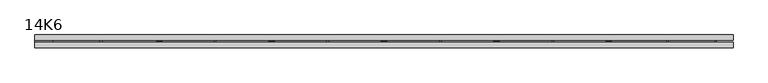
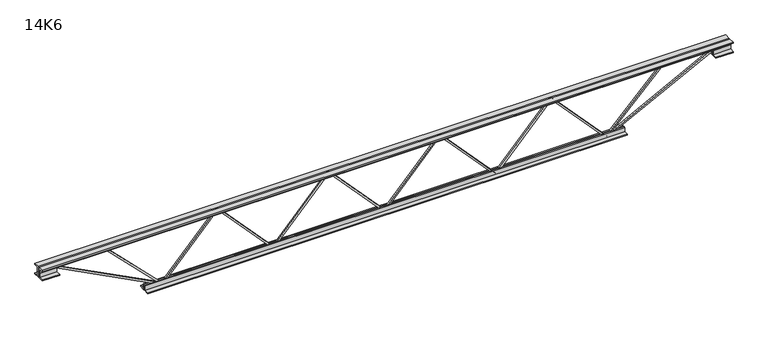
"""IFC4 building model written with IfcOpenShell, lengths in millimetres: beam geometry, 14K6."""

from ifc_helpers import new_model, si_unit, frame, origin, place, context, project, spatial, polyline, outline, extrude, source, transform, mapped, element, save


def beam_14k6_b646e06a(model_context):
    return source(origin(), model_context, "Body", "SweptSolid", [
        extrude(outline(polyline([(-166.9, 0.0), (-176.4, 0.0), (-176.4, 5.2607998), (166.9, 320.7857998), (166.9, 322.9642002), (-176.4, 638.4892002), (-176.4, 643.75), (-166.9, 643.75), (-166.9, 642.6607998), (176.4, 327.1357998), (176.4, 316.6142002), (-166.9, 1.0892002), (-166.9, 0.0)])), frame((0.0, -4.75, 0.0), z_axis=(0.0, 1.0, 0.0), x_axis=(0.0, 0.0, 1.0)), (0.0, 0.0, 1.0), 9.5),
        extrude(outline(polyline([(-166.9, -643.75), (-176.4, -643.75), (-176.4, -638.4892002), (166.9, -322.9642002), (166.9, -320.7857998), (-176.4, -5.2607998), (-176.4, 0.0), (-166.9, 0.0), (-166.9, -1.0892002), (176.4, -316.6142002), (176.4, -327.1357998), (-166.9, -642.6607998), (-166.9, -643.75)])), frame((0.0, -4.75, 0.0), z_axis=(0.0, 1.0, 0.0), x_axis=(0.0, 0.0, 1.0)), (0.0, 0.0, 1.0), 9.5),
        extrude(outline(polyline([(-166.9, 643.75), (-176.4, 643.75), (-176.4, 649.0107998), (166.9, 964.5357998), (166.9, 966.7142002), (-176.4, 1282.2392002), (-176.4, 1287.5), (-166.9, 1287.5), (-166.9, 1286.4107998), (176.4, 970.8857998), (176.4, 960.3642002), (-166.9, 644.8392002), (-166.9, 643.75)])), frame((0.0, -4.75, 0.0), z_axis=(0.0, 1.0, 0.0), x_axis=(0.0, 0.0, 1.0)), (0.0, 0.0, 1.0), 9.5),
        extrude(outline(polyline([(-166.9, -1287.5), (-176.4, -1287.5), (-176.4, -1282.2392002), (166.9, -966.7142002), (166.9, -964.5357998), (-176.4, -649.0107998), (-176.4, -643.75), (-166.9, -643.75), (-166.9, -644.8392002), (176.4, -960.3642002), (176.4, -970.8857998), (-166.9, -1286.4107998), (-166.9, -1287.5)])), frame((0.0, -4.75, 0.0), z_axis=(0.0, 1.0, 0.0), x_axis=(0.0, 0.0, 1.0)), (0.0, 0.0, 1.0), 9.5),
        extrude(outline(polyline([(4.75, 178.0), (36.75, 178.0), (36.75, 171.5), (11.25, 171.5), (11.25, 146.0), (4.75, 146.0), (4.75, 178.0)])), frame((-1999.5, 0.0, 0.0), z_axis=(1.0, 0.0, 0.0), x_axis=(0.0, 1.0, 0.0)), (0.0, 0.0, 1.0), 3999.0),
        extrude(outline(polyline([(-4.75, 178.0), (-4.75, 146.0), (-11.25, 146.0), (-11.25, 171.5), (-36.75, 171.5), (-36.75, 178.0), (-4.75, 178.0)])), frame((-1999.5, 0.0, 0.0), z_axis=(1.0, 0.0, 0.0), x_axis=(0.0, 1.0, 0.0)), (0.0, 0.0, 1.0), 3999.0),
        extrude(outline(polyline([(-4.75, 114.5), (-36.75, 114.5), (-36.75, 121.0), (-11.25, 121.0), (-11.25, 146.0), (-4.75, 146.0), (-4.75, 114.5)])), frame((-1999.5, 0.0, 0.0), z_axis=(1.0, 0.0, 0.0), x_axis=(0.0, 1.0, 0.0)), (0.0, 0.0, 1.0), 100.0),
        extrude(outline(polyline([(36.75, 114.5), (4.75, 114.5), (4.75, 146.0), (11.25, 146.0), (11.25, 121.0), (36.75, 121.0), (36.75, 114.5)])), frame((-1999.5, 0.0, 0.0), z_axis=(1.0, 0.0, 0.0), x_axis=(0.0, 1.0, 0.0)), (0.0, 0.0, 1.0), 100.0),
        extrude(outline(polyline([(4.75, 114.5), (4.75, 146.0), (11.25, 146.0), (11.25, 121.0), (36.75, 121.0), (36.75, 114.5), (4.75, 114.5)])), frame((1899.5, 0.0, 0.0), z_axis=(1.0, 0.0, 0.0), x_axis=(0.0, 1.0, 0.0)), (0.0, 0.0, 1.0), 100.0),
        extrude(outline(polyline([(-4.75, 114.5), (-36.75, 114.5), (-36.75, 121.0), (-11.25, 121.0), (-11.25, 146.0), (-4.75, 146.0), (-4.75, 114.5)])), frame((1899.5, 0.0, 0.0), z_axis=(1.0, 0.0, 0.0), x_axis=(0.0, 1.0, 0.0)), (0.0, 0.0, 1.0), 100.0),
        extrude(outline(polyline([(4.75, -178.0), (4.75, -146.0), (11.25, -146.0), (11.25, -171.5), (36.75, -171.5), (36.75, -178.0), (4.75, -178.0)])), frame((-1387.5, 0.0, 0.0), z_axis=(1.0, 0.0, 0.0), x_axis=(0.0, 1.0, 0.0)), (0.0, 0.0, 1.0), 2775.0),
        extrude(outline(polyline([(-4.75, -178.0), (-36.75, -178.0), (-36.75, -171.5), (-11.25, -171.5), (-11.25, -146.0), (-4.75, -146.0), (-4.75, -178.0)])), frame((-1387.5, 0.0, 0.0), z_axis=(1.0, 0.0, 0.0), x_axis=(0.0, 1.0, 0.0)), (0.0, 0.0, 1.0), 2775.0),
        extrude(outline(polyline([(-175.8659422, -1289.6882256), (-167.4340578, -1285.3117744), (150.75, -1898.3407162), (150.75, -1999.5), (141.25, -1999.5), (141.25, -1900.6592838), (-175.8659422, -1289.6882256)])), frame((0.0, -4.75, 0.0), z_axis=(0.0, 1.0, 0.0), x_axis=(0.0, 0.0, 1.0)), (0.0, 0.0, 1.0), 9.5),
        extrude(outline(polyline([(163.7, -1629.3321429), (154.2, -1629.3321429), (154.2, -1618.605851), (-175.0012759, -1290.8662219), (-168.2987241, -1284.1337781), (163.7, -1614.6584348), (163.7, -1629.3321429)])), frame((0.0, -4.75, 0.0), z_axis=(0.0, 1.0, 0.0), x_axis=(0.0, 0.0, 1.0)), (0.0, 0.0, 1.0), 9.5),
        extrude(outline(polyline([(0.0, -9.5), (0.0, 0.0), (689.5255778, 0.0), (689.5255778, -9.5), (0.0, -9.5)])), frame((1901.6882256, -4.75, 141.7840578), z_axis=(-0.4606790671834052, 0.0, 0.8875667845627323), x_axis=(-0.8875667845627323, 0.0, -0.4606790671834052)), (0.0, 0.0, 1.0), 9.5),
        extrude(outline(polyline([(4.75, 4.75), (4.75, -4.75), (-4.75, -4.75), (-4.75, 4.75), (4.75, 4.75)])), frame((1287.5, 0.0, -171.65), z_axis=(0.6998811256227199, 0.0, 0.7142593436540222), x_axis=(0.0, -1.0, 0.0)), (0.0, 0.0, 1.0), 480.6377446),
    ])


if __name__ == "__main__":
    model = new_model("IFC4")
    model_context = context("Model", 3, world=origin())
    ifc_project = project(units=[si_unit("LENGTHUNIT", "METRE", prefix="MILLI")], contexts=[model_context])
    site = spatial("IfcSite", under=ifc_project)
    building = spatial("IfcBuilding", under=site)
    placement = place(None, origin())
    beam_14k6_shape = beam_14k6_b646e06a(model_context)
    element("IfcBeam", 1, ObjectType="14K6", at=placement, inside=building, context=model_context, shape_type="MappedRepresentation", body=[
        mapped(beam_14k6_shape, transform((0.0, 0.0, 0.0), x_axis=(1.0, 0.0, 0.0), y_axis=(0.0, 1.0, 0.0), z_axis=(0.0, 0.0, 1.0))),
    ])
    save(model, "model.ifc")
